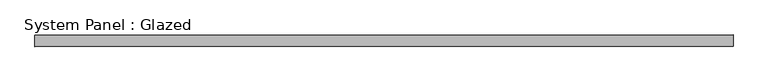
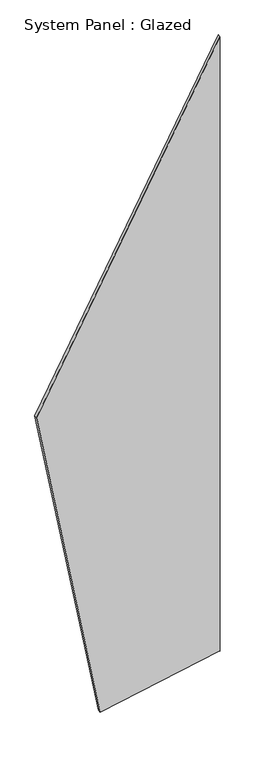
"""IFC4 building model written with IfcOpenShell, lengths in millimetres: plate geometry, System Panel : Glazed."""

from ifc_helpers import new_model, si_unit, frame, origin, place, context, project, spatial, polyline, outline, extrude, source, transform, mapped, element, save


def system_panel_glazed_71e48d59(model_context):
    return source(origin(), model_context, "Body", "SweptSolid", [
        extrude(outline(polyline([(0.0, -334.8223446), (270.9962513, 1086.6956746), (263.6289322, 1088.1001702), (7959.7793948, 1088.1001702), (3951.3388001, -1088.1001702), (0.0, -334.8223446)])), frame((0.0, -18.0, 0.0), z_axis=(0.0, 1.0, 0.0), x_axis=(0.0, 0.0, 1.0)), (0.0, 0.0, 1.0), 36.0),
    ])


if __name__ == "__main__":
    model = new_model("IFC4")
    model_context = context("Model", 3, world=origin())
    ifc_project = project(units=[si_unit("LENGTHUNIT", "METRE", prefix="MILLI")], contexts=[model_context])
    site = spatial("IfcSite", under=ifc_project)
    building = spatial("IfcBuilding", under=site)
    placement = place(None, origin())
    system_panel_glazed_shape = system_panel_glazed_71e48d59(model_context)
    element("IfcPlate", 1, ObjectType="System Panel : Glazed", at=placement, inside=building, context=model_context, shape_type="MappedRepresentation", body=[
        mapped(system_panel_glazed_shape, transform((0.0, 0.0, 0.0), x_axis=(1.0, 0.0, 0.0), y_axis=(0.0, 1.0, 0.0), z_axis=(0.0, 0.0, 1.0))),
    ])
    save(model, "model.ifc")
